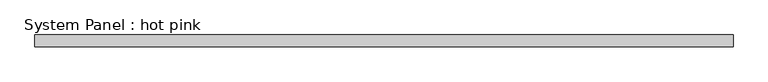
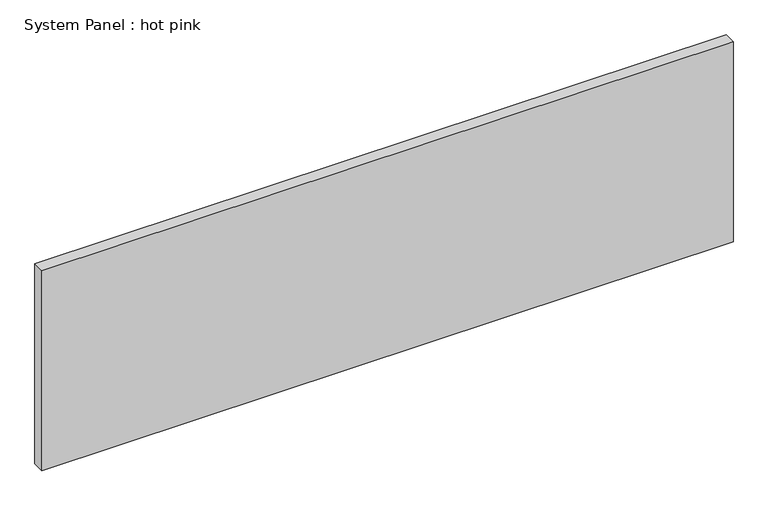
"""IFC4 building model written with IfcOpenShell, lengths in millimetres: plate geometry, System Panel : hot pink."""

import ifcopenshell
import ifcopenshell.guid

model = None  # the IFC model being written
_history = None  # IfcOwnerHistory: only IFC2X3 demands one
_inside = {}  # id of a spatial element -> (the spatial element, [elements in it])
_under = {}  # id of a project, library or spatial element -> (it, [spatial elements below it])
_declared = {}  # id of a project -> (the project, [libraries it declares])
_typed = {}  # id of a type object -> (the type object, [elements of that type])
_made_of = {}  # id of a material, layer set ... -> (it, [elements and type objects made of it])


def new_model(schema):
    """Start an empty IFC model of exactly this schema.

    Asked for "IFC4X3", IfcOpenShell would pick the latest addendum, in which some entities
    have other attributes; the version numbers below select the first issue.
    IFC2X3 requires an IfcOwnerHistory on every rooted entity: one is made here for all.
    """
    global model, _history
    if schema == "IFC4X3":
        model = ifcopenshell.file(schema_version=(4, 3, 0, 0))
    else:
        model = ifcopenshell.file(schema=schema)
    _inside.clear()
    _under.clear()
    _declared.clear()
    _typed.clear()
    _made_of.clear()
    _history = None
    if model.schema == "IFC2X3":
        org = make("IfcOrganization", Name="unknown")
        user = make(
            "IfcPersonAndOrganization",
            ThePerson=make("IfcPerson", FamilyName="unknown"),
            TheOrganization=org,
        )
        app = make(
            "IfcApplication",
            ApplicationDeveloper=org,
            Version="unknown",
            ApplicationFullName="unknown",
            ApplicationIdentifier="unknown",
        )
        _history = make(
            "IfcOwnerHistory",
            OwningUser=user,
            OwningApplication=app,
            ChangeAction="ADDED",
            CreationDate=0,
        )
    return model


def make(cls, **values):
    """One entity of the class cls with the attributes given. An attribute that is None is left unset."""
    return model.create_entity(
        cls, **{name: value for name, value in values.items() if value is not None}
    )


def rooted(cls, **values):
    """An entity with a GlobalId (a new one), such as an element, a storey or a relation."""
    return make(cls, GlobalId=ifcopenshell.guid.new(), OwnerHistory=_history, **values)


def si_unit(unit_type, name, prefix=None):
    """IfcSIUnit, for example si_unit("LENGTHUNIT", "METRE", prefix="MILLI")."""
    return make("IfcSIUnit", UnitType=unit_type, Prefix=prefix, Name=name)


def assignment(units):
    """IfcUnitAssignment: the units of a project."""
    return None if units is None else make("IfcUnitAssignment", Units=units)


def point(xyz):
    """IfcCartesianPoint."""
    return None if xyz is None else make("IfcCartesianPoint", Coordinates=xyz)


def direction(xyz):
    """IfcDirection."""
    return None if xyz is None else make("IfcDirection", DirectionRatios=xyz)


def frame(location, z_axis=None, x_axis=None):
    """IfcAxis2Placement3D, a coordinate frame: its origin and axes. An axis left out is left unset."""
    return make(
        "IfcAxis2Placement3D",
        Location=point(location),
        Axis=direction(z_axis),
        RefDirection=direction(x_axis),
    )


def origin():
    """The frame at (0, 0, 0) with its axes left unset."""
    return frame((0.0, 0.0, 0.0))


def origin_with_axes():
    """The frame at (0, 0, 0) with the z axis (0, 0, 1) and the x axis (1, 0, 0) written out."""
    return frame((0.0, 0.0, 0.0), z_axis=(0.0, 0.0, 1.0), x_axis=(1.0, 0.0, 0.0))


def place(relative_to, where):
    """IfcLocalPlacement: puts the frame where relative to a parent placement (None: the world)."""
    return make(
        "IfcLocalPlacement", PlacementRelTo=relative_to, RelativePlacement=where
    )


def context(
    kind, dimensions, precision=None, world=None, true_north=None, identifier=None
):
    """IfcGeometricRepresentationContext, for example the 3D "Model" context."""
    return make(
        "IfcGeometricRepresentationContext",
        ContextIdentifier=identifier,
        ContextType=kind,
        CoordinateSpaceDimension=dimensions,
        Precision=precision,
        WorldCoordinateSystem=world,
        TrueNorth=true_north,
    )


def project(units=None, contexts=None):
    """IfcProject with its units and contexts."""
    return rooted(
        "IfcProject",
        Name="project",
        RepresentationContexts=contexts,
        UnitsInContext=assignment(units),
    )


def spatial(cls, under=None, at=None, **own):
    """A site, building, storey or space (cls), placed at a placement, below another one or the project."""
    s = rooted(cls, ObjectPlacement=at, **own)
    if under is not None:
        _under.setdefault(under.id(), (under, []))[1].append(s)
    return s


def polyline(points):
    """IfcPolyline through the points."""
    return make("IfcPolyline", Points=[point(p) for p in points])


def outline(outer, holes=None, kind="AREA"):
    """IfcArbitraryClosedProfileDef: a profile drawn as a closed curve; with holes, ...WithVoids."""
    if holes is None:
        return make("IfcArbitraryClosedProfileDef", ProfileType=kind, OuterCurve=outer)
    return make(
        "IfcArbitraryProfileDefWithVoids",
        ProfileType=kind,
        OuterCurve=outer,
        InnerCurves=holes,
    )


def extrude(swept, where, along, depth):
    """IfcExtrudedAreaSolid: the profile swept, set in the frame where, extruded along a direction by depth."""
    return make(
        "IfcExtrudedAreaSolid",
        SweptArea=swept,
        Position=where,
        ExtrudedDirection=direction(along),
        Depth=depth,
    )


def shape(context_of_items, identifier, shape_type, items):
    """IfcShapeRepresentation: the items that make up one representation, for example the "Body"."""
    return make(
        "IfcShapeRepresentation",
        ContextOfItems=context_of_items,
        RepresentationIdentifier=identifier,
        RepresentationType=shape_type,
        Items=items,
    )


def source(mapping_origin, context_of_items, identifier, shape_type, items):
    """IfcRepresentationMap: a shape defined once, which mapped items show again and again."""
    return make(
        "IfcRepresentationMap",
        MappingOrigin=mapping_origin,
        MappedRepresentation=shape(context_of_items, identifier, shape_type, items),
    )


def transform(
    local_origin,
    x_axis=None,
    y_axis=None,
    z_axis=None,
    scale=None,
    scale2=None,
    scale3=None,
    uniform=True,
):
    """IfcCartesianTransformationOperator3D, or its non-uniform kind. x_axis, y_axis, z_axis: its Axis1, 2, 3."""
    if uniform:
        return make(
            "IfcCartesianTransformationOperator3D",
            Axis1=direction(x_axis),
            Axis2=direction(y_axis),
            LocalOrigin=point(local_origin),
            Scale=scale,
            Axis3=direction(z_axis),
        )
    return make(
        "IfcCartesianTransformationOperator3DnonUniform",
        Axis1=direction(x_axis),
        Axis2=direction(y_axis),
        LocalOrigin=point(local_origin),
        Scale=scale,
        Axis3=direction(z_axis),
        Scale2=scale2,
        Scale3=scale3,
    )


def mapped(mapping_source, mapping_target):
    """IfcMappedItem: shows the shape of a source again, moved by a transform."""
    return make(
        "IfcMappedItem", MappingSource=mapping_source, MappingTarget=mapping_target
    )


def made_of(thing, what):
    """Note that an element or type object is made of a material, layer set ...; save() writes the relation."""
    if what is not None:
        _made_of.setdefault(what.id(), (what, []))[1].append(thing)
    return thing


def element(
    cls,
    number,
    at=None,
    inside=None,
    cuts=None,
    type_object=None,
    material=None,
    context=None,
    identifier="Body",
    shape_type=None,
    held_by="IfcProductDefinitionShape",
    body=None,
    shapes=None,
    **own,
):
    """One element of the class cls, such as IfcWall. Its Tag is "e" and its number.

    at: its placement. inside: the storey or other place that contains it. cuts: it is an
    opening in that element (IfcRelVoidsElement). A single representation is given by context,
    identifier, shape_type and body (its items); several are given by shapes. held_by: the class
    of the entity that holds the representations. save() writes the other relations.
    """
    e = rooted(cls, Tag="e%d" % number, ObjectPlacement=at, **own)
    if body is not None:
        shapes = [shape(context, identifier, shape_type, body)]
    if shapes is not None:
        e.Representation = make(held_by, Representations=shapes)
    if inside is not None:
        _inside.setdefault(inside.id(), (inside, []))[1].append(e)
    if cuts is not None:
        rooted(
            "IfcRelVoidsElement", RelatingBuildingElement=cuts, RelatedOpeningElement=e
        )
    if type_object is not None:
        _typed.setdefault(type_object.id(), (type_object, []))[1].append(e)
    return made_of(e, material)


def aggregate(whole, parts):
    """IfcRelAggregates: a whole, such as a stair, and the parts it consists of."""
    return rooted("IfcRelAggregates", RelatingObject=whole, RelatedObjects=parts)


def save(model, path):
    """Write the relations noted so far, then the file.

    IfcRelAggregates (storeys below a building ...), IfcRelContainedInSpatialStructure (elements
    in a storey), IfcRelDefinesByType, IfcRelAssociatesMaterial and IfcRelDeclares: one each for
    every whole, place, type object, material and project.
    """
    for whole, parts in _under.values():
        aggregate(whole, parts)
    for where, things in _inside.values():
        rooted(
            "IfcRelContainedInSpatialStructure",
            RelatedElements=things,
            RelatingStructure=where,
        )
    for kind, things in _typed.values():
        rooted("IfcRelDefinesByType", RelatedObjects=things, RelatingType=kind)
    for what, things in _made_of.values():
        rooted("IfcRelAssociatesMaterial", RelatedObjects=things, RelatingMaterial=what)
    for by, libraries in _declared.values():
        rooted("IfcRelDeclares", RelatingContext=by, RelatedDefinitions=libraries)
    model.write(path)


def system_panel_hot_pink_1e211ad5(model_context):
    return source(origin(), model_context, "Body", "SweptSolid", [
        extrude(outline(polyline([(1837.5752733, -44.45), (-1837.5752733, -44.45), (-1837.5752733, 19.05), (1837.5752733, 19.05), (1837.5752733, -44.45)])), origin_with_axes(), (0.0, 0.0, 1.0), 1123.95),
    ])


if __name__ == "__main__":
    model = new_model("IFC4")
    model_context = context("Model", 3, world=origin())
    ifc_project = project(units=[si_unit("LENGTHUNIT", "METRE", prefix="MILLI")], contexts=[model_context])
    site = spatial("IfcSite", under=ifc_project)
    building = spatial("IfcBuilding", under=site)
    placement = place(None, origin())
    system_panel_hot_pink_shape = system_panel_hot_pink_1e211ad5(model_context)
    element("IfcPlate", 1, ObjectType="System Panel : hot pink", at=placement, inside=building, context=model_context, shape_type="MappedRepresentation", body=[
        mapped(system_panel_hot_pink_shape, transform((0.0, 0.0, 0.0), x_axis=(1.0, 0.0, 0.0), y_axis=(0.0, 1.0, 0.0), z_axis=(0.0, 0.0, 1.0))),
    ])
    save(model, "model.ifc")
